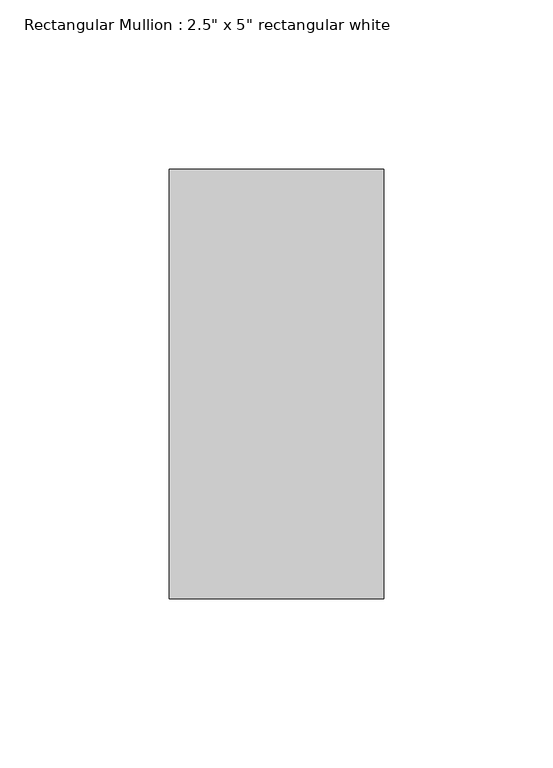
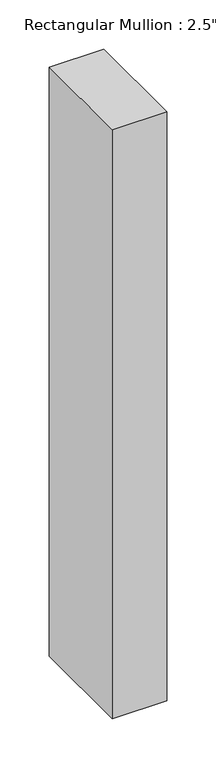
"""IFC4 building model written with IfcOpenShell, lengths in millimetres: member geometry."""

from ifc_helpers import new_model, si_unit, frame, origin, place, context, project, spatial, polyline, outline, extrude, source, transform, mapped, element, save


def member_13eba02a(model_context):
    return source(origin(), model_context, "Body", "SweptSolid", [
        extrude(outline(polyline([(0.0, 63.5), (0.0, -63.5), (-63.5, -63.5), (-63.5, 63.5), (0.0, 63.5)])), frame((0.0, 0.0, -727.3444208), z_axis=(0.0, 0.0, 1.0), x_axis=(1.0, 0.0, 0.0)), (0.0, 0.0, 1.0), 727.3444208),
    ])


if __name__ == "__main__":
    model = new_model("IFC4")
    model_context = context("Model", 3, world=origin())
    ifc_project = project(units=[si_unit("LENGTHUNIT", "METRE", prefix="MILLI")], contexts=[model_context])
    site = spatial("IfcSite", under=ifc_project)
    building = spatial("IfcBuilding", under=site)
    placement = place(None, origin())
    member_shape = member_13eba02a(model_context)
    element("IfcMember", 1, ObjectType="Rectangular Mullion : 2.5\" x 5\" rectangular white", at=placement, inside=building, context=model_context, shape_type="MappedRepresentation", body=[
        mapped(member_shape, transform((0.0, 0.0, 0.0), x_axis=(1.0, 0.0, 0.0), y_axis=(0.0, 1.0, 0.0), z_axis=(0.0, 0.0, 1.0))),
    ])
    save(model, "model.ifc")
